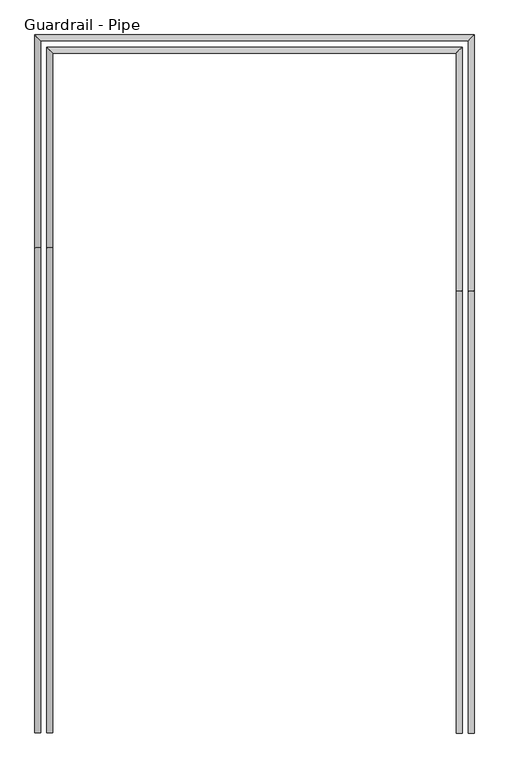
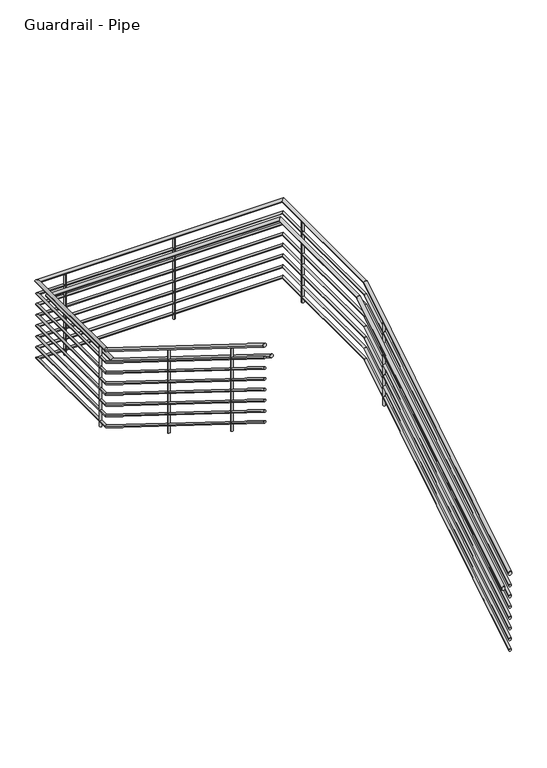
"""IFC4 building model written with IfcOpenShell, lengths in millimetres: railing geometry, Guardrail - Pipe."""

from ifc_helpers import new_model, si_unit, point, frame, frame_2d, origin, place, context, project, spatial, circle_curve, ellipse_curve, trimmed, segment, composite_curve, outline, extrude, source, transform, mapped, element, save
from ifc_brep_helpers import plane_surface, cylinder_surface, advanced_brep


def guardrail_pipe_54cb82e4(model_context):
    return source(origin(), model_context, "Body", "SolidModel", [
        advanced_brep(
        [(60708.7486844, -19849.6368097, 1218.5231361), (60746.8486844, -19849.6368097, 1218.5231361), (60708.7486844, -17050.1853821, 2963.6357143), (60746.8486844, -17050.1853821, 2963.6357143), (60708.7486844, -15471.3118097, 2963.6357143), (60746.8486844, -15433.2118097, 2963.6357143), (58003.2604639, -15471.3118097, 2963.6357143), (57965.1604639, -15433.2118097, 2963.6357143), (58003.2604639, -16781.6882372, 2963.6357143), (57965.1604639, -16781.6882372, 2963.6357143), (58003.2604639, -19849.6368097, 4876.1231361), (57965.1604639, -19849.6368097, 4876.1231361)],
        [
            (0, 1, ellipse_curve(frame((60727.7986844, -19849.6368097, 1218.5231361), z_axis=(0.0, -1.0, 0.0), x_axis=(0.0, 0.0, -1.0)), 22.4482925, 19.05)),
            (1, 0, ellipse_curve(frame((60727.7986844, -19849.6368097, 1218.5231361), z_axis=(0.0, -1.0, 0.0), x_axis=(0.0, 0.0, -1.0)), 22.4482925, 19.05)),
            (0, 2),
            (2, 3, ellipse_curve(frame((60727.7986844, -17050.1853821, 2963.6357143), z_axis=(0.0, -0.9614096116045892, -0.27512098922894446), x_axis=(0.0, 0.27512098922894473, -0.9614096116045893)), 19.8146552, 19.05)),
            (3, 1),
            (3, 2, ellipse_curve(frame((60727.7986844, -17050.1853821, 2963.6357143), z_axis=(0.0, -0.9614096116045892, -0.27512098922894446), x_axis=(0.0, 0.27512098922894473, -0.9614096116045893)), 19.8146552, 19.05)),
            (2, 4),
            (4, 5, ellipse_curve(frame((60727.7986844, -15452.2618097, 2963.6357143), z_axis=(0.7071067811865475, -0.7071067811865475, 0.0), x_axis=(-0.7071067811865474, -0.7071067811865476, 0.0)), 26.9407684, 19.05)),
            (5, 3),
            (5, 4, ellipse_curve(frame((60727.7986844, -15452.2618097, 2963.6357143), z_axis=(0.7071067811865475, -0.7071067811865475, 0.0), x_axis=(-0.7071067811865474, -0.7071067811865476, 0.0)), 26.9407684, 19.05)),
            (4, 6),
            (6, 7, ellipse_curve(frame((57984.2104639, -15452.2618097, 2963.6357143), z_axis=(0.7071067811865475, 0.7071067811865475, 0.0), x_axis=(0.7071067811865476, -0.7071067811865474, 0.0)), 26.9407684, 19.05)),
            (7, 5),
            (7, 6, ellipse_curve(frame((57984.2104639, -15452.2618097, 2963.6357143), z_axis=(0.7071067811865475, 0.7071067811865475, 0.0), x_axis=(0.7071067811865476, -0.7071067811865474, 0.0)), 26.9407684, 19.05)),
            (6, 8),
            (8, 9, ellipse_curve(frame((57984.2104639, -16781.6882372, 2963.6357143), z_axis=(0.0, 0.961409611604589, -0.2751209892289446), x_axis=(0.0, 0.2751209892289451, 0.9614096116045889)), 19.8146552, 19.05)),
            (9, 7),
            (9, 8, ellipse_curve(frame((57984.2104639, -16781.6882372, 2963.6357143), z_axis=(0.0, 0.961409611604589, -0.2751209892289446), x_axis=(0.0, 0.2751209892289451, 0.9614096116045889)), 19.8146552, 19.05)),
            (10, 11, ellipse_curve(frame((57984.2104639, -19849.6368097, 4876.1231361), z_axis=(0.0, -1.0, 0.0), x_axis=(0.0, 0.0, -1.0)), 22.4482925, 19.05)),
            (11, 10, ellipse_curve(frame((57984.2104639, -19849.6368097, 4876.1231361), z_axis=(0.0, -1.0, 0.0), x_axis=(0.0, 0.0, -1.0)), 22.4482925, 19.05)),
            (8, 10),
            (11, 9),
        ],
        [
            plane_surface(frame((60727.7986844, -19849.6368097, 1240.9714286), z_axis=(0.0, -1.0, 0.0), x_axis=(0.0, 0.0, 1.0))),
            cylinder_surface(frame((60727.7986844, -19839.5592087, 1224.805277), z_axis=(0.0, -0.8486168825713741, -0.5290079267977396), x_axis=(1.0, 0.0, 0.0)), 19.05),
            cylinder_surface(frame((60727.7986844, -17055.6368097, 2963.6357143), z_axis=(0.0, -1.0, 0.0), x_axis=(1.0, 0.0, 0.0)), 19.05),
            cylinder_surface(frame((60727.7986844, -15452.2618097, 2963.6357143), z_axis=(1.0, 0.0, 0.0), x_axis=(0.0, 1.0, 0.0)), 19.05),
            cylinder_surface(frame((57984.2104639, -15452.2618097, 2963.6357143), z_axis=(0.0, 1.0, 0.0), x_axis=(-1.0, 0.0, 0.0)), 19.05),
            plane_surface(frame((57984.2104639, -19849.6368097, 4898.5714286), z_axis=(0.0, -1.0, 0.0), x_axis=(0.0, 0.0, -1.0))),
            cylinder_surface(frame((57984.2104639, -16786.3144107, 2966.5195627), z_axis=(0.0, 0.8486168825713739, -0.52900792679774), x_axis=(-1.0, 0.0, 0.0)), 19.05),
        ],
        [
            (0, [[1, 2]]),
            (1, [[-1, 3, 4, 5]]),
            (1, [[-2, -5, 6, -3]]),
            (2, [[-4, 7, 8, 9]]),
            (2, [[-6, -9, 10, -7]]),
            (3, [[-8, 11, 12, 13]]),
            (3, [[-10, -13, 14, -11]]),
            (4, [[-12, 15, 16, 17]]),
            (4, [[-14, -17, 18, -15]]),
            (5, [[19, 20]]),
            (6, [[-16, 21, -20, 22]]),
            (6, [[-18, -22, -19, -21]]),
        ],
    ),
        advanced_brep(
        [(60715.0986844, -19849.6368097, 1073.6059002), (60740.4986844, -19849.6368097, 1073.6059002), (60715.0986844, -17052.0025247, 2817.5857143), (60740.4986844, -17052.0025247, 2817.5857143), (60715.0986844, -15464.9618097, 2817.5857143), (60740.4986844, -15439.5618097, 2817.5857143), (57996.9104639, -15464.9618097, 2817.5857143), (57971.5104639, -15439.5618097, 2817.5857143), (57996.9104639, -16779.8710947, 2817.5857143), (57971.5104639, -16779.8710947, 2817.5857143), (57996.9104639, -19849.6368097, 4731.2059002), (57971.5104639, -19849.6368097, 4731.2059002)],
        [
            (0, 1, ellipse_curve(frame((60727.7986844, -19849.6368097, 1073.6059002), z_axis=(0.0, -1.0, 0.0), x_axis=(0.0, 0.0, -1.0)), 14.9655283, 12.7)),
            (1, 0, ellipse_curve(frame((60727.7986844, -19849.6368097, 1073.6059002), z_axis=(0.0, -1.0, 0.0), x_axis=(0.0, 0.0, -1.0)), 14.9655283, 12.7)),
            (0, 2),
            (2, 3, ellipse_curve(frame((60727.7986844, -17052.0025247, 2817.5857143), z_axis=(0.0, -0.9614096116045892, -0.27512098922894446), x_axis=(0.0, 0.27512098922894473, -0.9614096116045893)), 13.2097702, 12.7)),
            (3, 1),
            (3, 2, ellipse_curve(frame((60727.7986844, -17052.0025247, 2817.5857143), z_axis=(0.0, -0.9614096116045892, -0.27512098922894446), x_axis=(0.0, 0.27512098922894473, -0.9614096116045893)), 13.2097702, 12.7)),
            (2, 4),
            (4, 5, ellipse_curve(frame((60727.7986844, -15452.2618097, 2817.5857143), z_axis=(0.7071067811865475, -0.7071067811865475, 0.0), x_axis=(-0.7071067811865474, -0.7071067811865476, 0.0)), 17.9605122, 12.7)),
            (5, 3),
            (5, 4, ellipse_curve(frame((60727.7986844, -15452.2618097, 2817.5857143), z_axis=(0.7071067811865475, -0.7071067811865475, 0.0), x_axis=(-0.7071067811865474, -0.7071067811865476, 0.0)), 17.9605122, 12.7)),
            (4, 6),
            (6, 7, ellipse_curve(frame((57984.2104639, -15452.2618097, 2817.5857143), z_axis=(0.7071067811865475, 0.7071067811865475, 0.0), x_axis=(0.7071067811865476, -0.7071067811865474, 0.0)), 17.9605122, 12.7)),
            (7, 5),
            (7, 6, ellipse_curve(frame((57984.2104639, -15452.2618097, 2817.5857143), z_axis=(0.7071067811865475, 0.7071067811865475, 0.0), x_axis=(0.7071067811865476, -0.7071067811865474, 0.0)), 17.9605122, 12.7)),
            (6, 8),
            (8, 9, ellipse_curve(frame((57984.2104639, -16779.8710947, 2817.5857143), z_axis=(0.0, 0.9614096116045892, -0.27512098922894457), x_axis=(0.0, 0.27512098922894446, 0.9614096116045892)), 13.2097702, 12.7)),
            (9, 7),
            (9, 8, ellipse_curve(frame((57984.2104639, -16779.8710947, 2817.5857143), z_axis=(0.0, 0.9614096116045892, -0.27512098922894457), x_axis=(0.0, 0.27512098922894446, 0.9614096116045892)), 13.2097702, 12.7)),
            (10, 11, ellipse_curve(frame((57984.2104639, -19849.6368097, 4731.2059002), z_axis=(0.0, -1.0, 0.0), x_axis=(0.0, 0.0, -1.0)), 14.9655283, 12.7)),
            (11, 10, ellipse_curve(frame((57984.2104639, -19849.6368097, 4731.2059002), z_axis=(0.0, -1.0, 0.0), x_axis=(0.0, 0.0, -1.0)), 14.9655283, 12.7)),
            (8, 10),
            (11, 9),
        ],
        [
            plane_surface(frame((60727.7986844, -19849.6368097, 1088.5714286), z_axis=(0.0, -1.0, 0.0), x_axis=(0.0, 0.0, 1.0))),
            cylinder_surface(frame((60727.7986844, -19842.918409, 1077.7939942), z_axis=(0.0, -0.8486168825713741, -0.5290079267977396), x_axis=(1.0, 0.0, 0.0)), 12.7),
            cylinder_surface(frame((60727.7986844, -17055.6368097, 2817.5857143), z_axis=(0.0, -1.0, 0.0), x_axis=(1.0, 0.0, 0.0)), 12.7),
            cylinder_surface(frame((60727.7986844, -15452.2618097, 2817.5857143), z_axis=(1.0, 0.0, 0.0), x_axis=(0.0, 1.0, 0.0)), 12.7),
            cylinder_surface(frame((57984.2104639, -15452.2618097, 2817.5857143), z_axis=(0.0, 1.0, 0.0), x_axis=(-1.0, 0.0, 0.0)), 12.7),
            plane_surface(frame((57984.2104639, -19849.6368097, 4746.1714286), z_axis=(0.0, -1.0, 0.0), x_axis=(0.0, 0.0, -1.0))),
            cylinder_surface(frame((57984.2104639, -16782.9552104, 2819.5082799), z_axis=(0.0, 0.8486168825713739, -0.5290079267977399), x_axis=(-1.0, 0.0, 0.0)), 12.7),
        ],
        [
            (0, [[1, 2]]),
            (1, [[-1, 3, 4, 5]]),
            (1, [[-2, -5, 6, -3]]),
            (2, [[-4, 7, 8, 9]]),
            (2, [[-6, -9, 10, -7]]),
            (3, [[-8, 11, 12, 13]]),
            (3, [[-10, -13, 14, -11]]),
            (4, [[-12, 15, 16, 17]]),
            (4, [[-14, -17, 18, -15]]),
            (5, [[19, 20]]),
            (6, [[-16, 21, -20, 22]]),
            (6, [[-18, -22, -19, -21]]),
        ],
    ),
        advanced_brep(
        [(60632.5486844, -19849.6368097, 1066.1231361), (60670.6486844, -19849.6368097, 1066.1231361), (60632.5486844, -17050.1853821, 2811.2357143), (60670.6486844, -17050.1853821, 2811.2357143), (60632.5486844, -15547.5118097, 2811.2357143), (60670.6486844, -15509.4118097, 2811.2357143), (58079.4604639, -15547.5118097, 2811.2357143), (58041.3604639, -15509.4118097, 2811.2357143), (58079.4604639, -16781.6882372, 2811.2357143), (58041.3604639, -16781.6882372, 2811.2357143), (58079.4604639, -19849.6368097, 4723.7231361), (58041.3604639, -19849.6368097, 4723.7231361)],
        [
            (0, 1, ellipse_curve(frame((60651.5986844, -19849.6368097, 1066.1231361), z_axis=(0.0, -1.0, 0.0), x_axis=(0.0, 0.0, -1.0)), 22.4482925, 19.05)),
            (1, 0, ellipse_curve(frame((60651.5986844, -19849.6368097, 1066.1231361), z_axis=(0.0, -1.0, 0.0), x_axis=(0.0, 0.0, -1.0)), 22.4482925, 19.05)),
            (0, 2),
            (2, 3, ellipse_curve(frame((60651.5986844, -17050.1853821, 2811.2357143), z_axis=(0.0, -0.9614096116045892, -0.27512098922894446), x_axis=(0.0, 0.27512098922894473, -0.9614096116045893)), 19.8146552, 19.05)),
            (3, 1),
            (3, 2, ellipse_curve(frame((60651.5986844, -17050.1853821, 2811.2357143), z_axis=(0.0, -0.9614096116045892, -0.27512098922894446), x_axis=(0.0, 0.27512098922894473, -0.9614096116045893)), 19.8146552, 19.05)),
            (2, 4),
            (4, 5, ellipse_curve(frame((60651.5986844, -15528.4618097, 2811.2357143), z_axis=(0.7071067811865475, -0.7071067811865475, 0.0), x_axis=(-0.7071067811865474, -0.7071067811865476, 0.0)), 26.9407684, 19.05)),
            (5, 3),
            (5, 4, ellipse_curve(frame((60651.5986844, -15528.4618097, 2811.2357143), z_axis=(0.7071067811865475, -0.7071067811865475, 0.0), x_axis=(-0.7071067811865474, -0.7071067811865476, 0.0)), 26.9407684, 19.05)),
            (4, 6),
            (6, 7, ellipse_curve(frame((58060.4104639, -15528.4618097, 2811.2357143), z_axis=(0.7071067811865475, 0.7071067811865475, 0.0), x_axis=(0.7071067811865476, -0.7071067811865474, 0.0)), 26.9407684, 19.05)),
            (7, 5),
            (7, 6, ellipse_curve(frame((58060.4104639, -15528.4618097, 2811.2357143), z_axis=(0.7071067811865475, 0.7071067811865475, 0.0), x_axis=(0.7071067811865476, -0.7071067811865474, 0.0)), 26.9407684, 19.05)),
            (6, 8),
            (8, 9, ellipse_curve(frame((58060.4104639, -16781.6882372, 2811.2357143), z_axis=(0.0, 0.9614096116045892, -0.27512098922894457), x_axis=(0.0, 0.27512098922894446, 0.9614096116045892)), 19.8146552, 19.05)),
            (9, 7),
            (9, 8, ellipse_curve(frame((58060.4104639, -16781.6882372, 2811.2357143), z_axis=(0.0, 0.9614096116045892, -0.27512098922894457), x_axis=(0.0, 0.27512098922894446, 0.9614096116045892)), 19.8146552, 19.05)),
            (10, 11, ellipse_curve(frame((58060.4104639, -19849.6368097, 4723.7231361), z_axis=(0.0, -1.0, 0.0), x_axis=(0.0, 0.0, -1.0)), 22.4482925, 19.05)),
            (11, 10, ellipse_curve(frame((58060.4104639, -19849.6368097, 4723.7231361), z_axis=(0.0, -1.0, 0.0), x_axis=(0.0, 0.0, -1.0)), 22.4482925, 19.05)),
            (8, 10),
            (11, 9),
        ],
        [
            plane_surface(frame((60651.5986844, -19849.6368097, 1088.5714286), z_axis=(0.0, -1.0, 0.0), x_axis=(0.0, 0.0, 1.0))),
            cylinder_surface(frame((60651.5986844, -19839.5592087, 1072.405277), z_axis=(0.0, -0.8486168825713741, -0.5290079267977396), x_axis=(1.0, 0.0, 0.0)), 19.05),
            cylinder_surface(frame((60651.5986844, -17055.6368097, 2811.2357143), z_axis=(0.0, -1.0, 0.0), x_axis=(1.0, 0.0, 0.0)), 19.05),
            cylinder_surface(frame((60651.5986844, -15528.4618097, 2811.2357143), z_axis=(1.0, 0.0, 0.0), x_axis=(0.0, 1.0, 0.0)), 19.05),
            cylinder_surface(frame((58060.4104639, -15528.4618097, 2811.2357143), z_axis=(0.0, 1.0, 0.0), x_axis=(-1.0, 0.0, 0.0)), 19.05),
            plane_surface(frame((58060.4104639, -19849.6368097, 4746.1714286), z_axis=(0.0, -1.0, 0.0), x_axis=(0.0, 0.0, -1.0))),
            cylinder_surface(frame((58060.4104639, -16786.3144107, 2814.1195627), z_axis=(0.0, 0.8486168825713739, -0.5290079267977399), x_axis=(-1.0, 0.0, 0.0)), 19.05),
        ],
        [
            (0, [[1, 2]]),
            (1, [[-1, 3, 4, 5]]),
            (1, [[-2, -5, 6, -3]]),
            (2, [[-4, 7, 8, 9]]),
            (2, [[-6, -9, 10, -7]]),
            (3, [[-8, 11, 12, 13]]),
            (3, [[-10, -13, 14, -11]]),
            (4, [[-12, 15, 16, 17]]),
            (4, [[-14, -17, 18, -15]]),
            (5, [[19, 20]]),
            (6, [[-16, 21, -20, 22]]),
            (6, [[-18, -22, -19, -21]]),
        ],
    ),
        advanced_brep(
        [(60715.0986844, -19849.6368097, 946.6059002), (60740.4986844, -19849.6368097, 946.6059002), (60715.0986844, -17052.0025247, 2690.5857143), (60740.4986844, -17052.0025247, 2690.5857143), (60715.0986844, -15464.9618097, 2690.5857143), (60740.4986844, -15439.5618097, 2690.5857143), (57996.9104639, -15464.9618097, 2690.5857143), (57971.5104639, -15439.5618097, 2690.5857143), (57996.9104639, -16779.8710947, 2690.5857143), (57971.5104639, -16779.8710947, 2690.5857143), (57996.9104639, -19849.6368097, 4604.2059002), (57971.5104639, -19849.6368097, 4604.2059002)],
        [
            (0, 1, ellipse_curve(frame((60727.7986844, -19849.6368097, 946.6059002), z_axis=(0.0, -1.0, 0.0), x_axis=(0.0, 0.0, -1.0)), 14.9655283, 12.7)),
            (1, 0, ellipse_curve(frame((60727.7986844, -19849.6368097, 946.6059002), z_axis=(0.0, -1.0, 0.0), x_axis=(0.0, 0.0, -1.0)), 14.9655283, 12.7)),
            (0, 2),
            (2, 3, ellipse_curve(frame((60727.7986844, -17052.0025247, 2690.5857143), z_axis=(0.0, -0.9614096116045892, -0.27512098922894446), x_axis=(0.0, 0.27512098922894457, -0.9614096116045892)), 13.2097702, 12.7)),
            (3, 1),
            (3, 2, ellipse_curve(frame((60727.7986844, -17052.0025247, 2690.5857143), z_axis=(0.0, -0.9614096116045892, -0.27512098922894446), x_axis=(0.0, 0.27512098922894457, -0.9614096116045892)), 13.2097702, 12.7)),
            (2, 4),
            (4, 5, ellipse_curve(frame((60727.7986844, -15452.2618097, 2690.5857143), z_axis=(0.7071067811865475, -0.7071067811865475, 0.0), x_axis=(-0.7071067811865474, -0.7071067811865476, 0.0)), 17.9605122, 12.7)),
            (5, 3),
            (5, 4, ellipse_curve(frame((60727.7986844, -15452.2618097, 2690.5857143), z_axis=(0.7071067811865475, -0.7071067811865475, 0.0), x_axis=(-0.7071067811865474, -0.7071067811865476, 0.0)), 17.9605122, 12.7)),
            (4, 6),
            (6, 7, ellipse_curve(frame((57984.2104639, -15452.2618097, 2690.5857143), z_axis=(0.7071067811865475, 0.7071067811865475, 0.0), x_axis=(0.7071067811865476, -0.7071067811865474, 0.0)), 17.9605122, 12.7)),
            (7, 5),
            (7, 6, ellipse_curve(frame((57984.2104639, -15452.2618097, 2690.5857143), z_axis=(0.7071067811865475, 0.7071067811865475, 0.0), x_axis=(0.7071067811865476, -0.7071067811865474, 0.0)), 17.9605122, 12.7)),
            (6, 8),
            (8, 9, ellipse_curve(frame((57984.2104639, -16779.8710947, 2690.5857143), z_axis=(0.0, 0.9614096116045892, -0.27512098922894457), x_axis=(0.0, 0.27512098922894446, 0.9614096116045892)), 13.2097702, 12.7)),
            (9, 7),
            (9, 8, ellipse_curve(frame((57984.2104639, -16779.8710947, 2690.5857143), z_axis=(0.0, 0.9614096116045892, -0.27512098922894457), x_axis=(0.0, 0.27512098922894446, 0.9614096116045892)), 13.2097702, 12.7)),
            (10, 11, ellipse_curve(frame((57984.2104639, -19849.6368097, 4604.2059002), z_axis=(0.0, -1.0, 0.0), x_axis=(0.0, 0.0, -1.0)), 14.9655283, 12.7)),
            (11, 10, ellipse_curve(frame((57984.2104639, -19849.6368097, 4604.2059002), z_axis=(0.0, -1.0, 0.0), x_axis=(0.0, 0.0, -1.0)), 14.9655283, 12.7)),
            (8, 10),
            (11, 9),
        ],
        [
            plane_surface(frame((60727.7986844, -19849.6368097, 961.5714286), z_axis=(0.0, -1.0, 0.0), x_axis=(0.0, 0.0, 1.0))),
            cylinder_surface(frame((60727.7986844, -19842.918409, 950.7939942), z_axis=(0.0, -0.8486168825713741, -0.5290079267977397), x_axis=(1.0, 0.0, 0.0)), 12.7),
            cylinder_surface(frame((60727.7986844, -17055.6368097, 2690.5857143), z_axis=(0.0, -1.0, 0.0), x_axis=(1.0, 0.0, 0.0)), 12.7),
            cylinder_surface(frame((60727.7986844, -15452.2618097, 2690.5857143), z_axis=(1.0, 0.0, 0.0), x_axis=(0.0, 1.0, 0.0)), 12.7),
            cylinder_surface(frame((57984.2104639, -15452.2618097, 2690.5857143), z_axis=(0.0, 1.0, 0.0), x_axis=(-1.0, 0.0, 0.0)), 12.7),
            plane_surface(frame((57984.2104639, -19849.6368097, 4619.1714286), z_axis=(0.0, -1.0, 0.0), x_axis=(0.0, 0.0, -1.0))),
            cylinder_surface(frame((57984.2104639, -16782.9552104, 2692.5082799), z_axis=(0.0, 0.8486168825713739, -0.5290079267977399), x_axis=(-1.0, 0.0, 0.0)), 12.7),
        ],
        [
            (0, [[1, 2]]),
            (1, [[-1, 3, 4, 5]]),
            (1, [[-2, -5, 6, -3]]),
            (2, [[-4, 7, 8, 9]]),
            (2, [[-6, -9, 10, -7]]),
            (3, [[-8, 11, 12, 13]]),
            (3, [[-10, -13, 14, -11]]),
            (4, [[-12, 15, 16, 17]]),
            (4, [[-14, -17, 18, -15]]),
            (5, [[19, 20]]),
            (6, [[-16, 21, -20, 22]]),
            (6, [[-18, -22, -19, -21]]),
        ],
    ),
        advanced_brep(
        [(60715.0986844, -19849.6368097, 819.6059002), (60740.4986844, -19849.6368097, 819.6059002), (60715.0986844, -17052.0025247, 2563.5857143), (60740.4986844, -17052.0025247, 2563.5857143), (60715.0986844, -15464.9618097, 2563.5857143), (60740.4986844, -15439.5618097, 2563.5857143), (57996.9104639, -15464.9618097, 2563.5857143), (57971.5104639, -15439.5618097, 2563.5857143), (57996.9104639, -16779.8710947, 2563.5857143), (57971.5104639, -16779.8710947, 2563.5857143), (57996.9104639, -19849.6368097, 4477.2059002), (57971.5104639, -19849.6368097, 4477.2059002)],
        [
            (0, 1, ellipse_curve(frame((60727.7986844, -19849.6368097, 819.6059002), z_axis=(0.0, -1.0, 0.0), x_axis=(0.0, 0.0, -1.0)), 14.9655283, 12.7)),
            (1, 0, ellipse_curve(frame((60727.7986844, -19849.6368097, 819.6059002), z_axis=(0.0, -1.0, 0.0), x_axis=(0.0, 0.0, -1.0)), 14.9655283, 12.7)),
            (0, 2),
            (2, 3, ellipse_curve(frame((60727.7986844, -17052.0025247, 2563.5857143), z_axis=(0.0, -0.9614096116045892, -0.27512098922894446), x_axis=(0.0, 0.27512098922894457, -0.9614096116045892)), 13.2097702, 12.7)),
            (3, 1),
            (3, 2, ellipse_curve(frame((60727.7986844, -17052.0025247, 2563.5857143), z_axis=(0.0, -0.9614096116045892, -0.27512098922894446), x_axis=(0.0, 0.27512098922894457, -0.9614096116045892)), 13.2097702, 12.7)),
            (2, 4),
            (4, 5, ellipse_curve(frame((60727.7986844, -15452.2618097, 2563.5857143), z_axis=(0.7071067811865475, -0.7071067811865475, 0.0), x_axis=(-0.7071067811865474, -0.7071067811865476, 0.0)), 17.9605122, 12.7)),
            (5, 3),
            (5, 4, ellipse_curve(frame((60727.7986844, -15452.2618097, 2563.5857143), z_axis=(0.7071067811865475, -0.7071067811865475, 0.0), x_axis=(-0.7071067811865474, -0.7071067811865476, 0.0)), 17.9605122, 12.7)),
            (4, 6),
            (6, 7, ellipse_curve(frame((57984.2104639, -15452.2618097, 2563.5857143), z_axis=(0.7071067811865475, 0.7071067811865475, 0.0), x_axis=(0.7071067811865476, -0.7071067811865474, 0.0)), 17.9605122, 12.7)),
            (7, 5),
            (7, 6, ellipse_curve(frame((57984.2104639, -15452.2618097, 2563.5857143), z_axis=(0.7071067811865475, 0.7071067811865475, 0.0), x_axis=(0.7071067811865476, -0.7071067811865474, 0.0)), 17.9605122, 12.7)),
            (6, 8),
            (8, 9, ellipse_curve(frame((57984.2104639, -16779.8710947, 2563.5857143), z_axis=(0.0, 0.9614096116045892, -0.2751209892289445), x_axis=(0.0, 0.2751209892289445, 0.961409611604589)), 13.2097702, 12.7)),
            (9, 7),
            (9, 8, ellipse_curve(frame((57984.2104639, -16779.8710947, 2563.5857143), z_axis=(0.0, 0.9614096116045892, -0.2751209892289445), x_axis=(0.0, 0.2751209892289445, 0.961409611604589)), 13.2097702, 12.7)),
            (10, 11, ellipse_curve(frame((57984.2104639, -19849.6368097, 4477.2059002), z_axis=(0.0, -1.0, 0.0), x_axis=(0.0, 0.0, -1.0)), 14.9655283, 12.7)),
            (11, 10, ellipse_curve(frame((57984.2104639, -19849.6368097, 4477.2059002), z_axis=(0.0, -1.0, 0.0), x_axis=(0.0, 0.0, -1.0)), 14.9655283, 12.7)),
            (8, 10),
            (11, 9),
        ],
        [
            plane_surface(frame((60727.7986844, -19849.6368097, 834.5714286), z_axis=(0.0, -1.0, 0.0), x_axis=(0.0, 0.0, 1.0))),
            cylinder_surface(frame((60727.7986844, -19842.918409, 823.7939942), z_axis=(0.0, -0.8486168825713741, -0.5290079267977397), x_axis=(1.0, 0.0, 0.0)), 12.7),
            cylinder_surface(frame((60727.7986844, -17055.6368097, 2563.5857143), z_axis=(0.0, -1.0, 0.0), x_axis=(1.0, 0.0, 0.0)), 12.7),
            cylinder_surface(frame((60727.7986844, -15452.2618097, 2563.5857143), z_axis=(1.0, 0.0, 0.0), x_axis=(0.0, 1.0, 0.0)), 12.7),
            cylinder_surface(frame((57984.2104639, -15452.2618097, 2563.5857143), z_axis=(0.0, 1.0, 0.0), x_axis=(-1.0, 0.0, 0.0)), 12.7),
            plane_surface(frame((57984.2104639, -19849.6368097, 4492.1714286), z_axis=(0.0, -1.0, 0.0), x_axis=(0.0, 0.0, -1.0))),
            cylinder_surface(frame((57984.2104639, -16782.9552104, 2565.5082799), z_axis=(0.0, 0.848616882571374, -0.5290079267977398), x_axis=(-1.0, 0.0, 0.0)), 12.7),
        ],
        [
            (0, [[1, 2]]),
            (1, [[-1, 3, 4, 5]]),
            (1, [[-2, -5, 6, -3]]),
            (2, [[-4, 7, 8, 9]]),
            (2, [[-6, -9, 10, -7]]),
            (3, [[-8, 11, 12, 13]]),
            (3, [[-10, -13, 14, -11]]),
            (4, [[-12, 15, 16, 17]]),
            (4, [[-14, -17, 18, -15]]),
            (5, [[19, 20]]),
            (6, [[-16, 21, -20, 22]]),
            (6, [[-18, -22, -19, -21]]),
        ],
    ),
        advanced_brep(
        [(60715.0986844, -19849.6368097, 692.6059002), (60740.4986844, -19849.6368097, 692.6059002), (60715.0986844, -17052.0025247, 2436.5857143), (60740.4986844, -17052.0025247, 2436.5857143), (60715.0986844, -15464.9618097, 2436.5857143), (60740.4986844, -15439.5618097, 2436.5857143), (57996.9104639, -15464.9618097, 2436.5857143), (57971.5104639, -15439.5618097, 2436.5857143), (57996.9104639, -16779.8710947, 2436.5857143), (57971.5104639, -16779.8710947, 2436.5857143), (57996.9104639, -19849.6368097, 4350.2059002), (57971.5104639, -19849.6368097, 4350.2059002)],
        [
            (0, 1, ellipse_curve(frame((60727.7986844, -19849.6368097, 692.6059002), z_axis=(0.0, -1.0, 0.0), x_axis=(0.0, 0.0, -1.0)), 14.9655283, 12.7)),
            (1, 0, ellipse_curve(frame((60727.7986844, -19849.6368097, 692.6059002), z_axis=(0.0, -1.0, 0.0), x_axis=(0.0, 0.0, -1.0)), 14.9655283, 12.7)),
            (0, 2),
            (2, 3, ellipse_curve(frame((60727.7986844, -17052.0025247, 2436.5857143), z_axis=(0.0, -0.9614096116045892, -0.27512098922894446), x_axis=(0.0, 0.27512098922894473, -0.9614096116045893)), 13.2097702, 12.7)),
            (3, 1),
            (3, 2, ellipse_curve(frame((60727.7986844, -17052.0025247, 2436.5857143), z_axis=(0.0, -0.9614096116045892, -0.27512098922894446), x_axis=(0.0, 0.27512098922894473, -0.9614096116045893)), 13.2097702, 12.7)),
            (2, 4),
            (4, 5, ellipse_curve(frame((60727.7986844, -15452.2618097, 2436.5857143), z_axis=(0.7071067811865475, -0.7071067811865475, 0.0), x_axis=(-0.7071067811865474, -0.7071067811865476, 0.0)), 17.9605122, 12.7)),
            (5, 3),
            (5, 4, ellipse_curve(frame((60727.7986844, -15452.2618097, 2436.5857143), z_axis=(0.7071067811865475, -0.7071067811865475, 0.0), x_axis=(-0.7071067811865474, -0.7071067811865476, 0.0)), 17.9605122, 12.7)),
            (4, 6),
            (6, 7, ellipse_curve(frame((57984.2104639, -15452.2618097, 2436.5857143), z_axis=(0.7071067811865475, 0.7071067811865475, 0.0), x_axis=(0.7071067811865476, -0.7071067811865474, 0.0)), 17.9605122, 12.7)),
            (7, 5),
            (7, 6, ellipse_curve(frame((57984.2104639, -15452.2618097, 2436.5857143), z_axis=(0.7071067811865475, 0.7071067811865475, 0.0), x_axis=(0.7071067811865476, -0.7071067811865474, 0.0)), 17.9605122, 12.7)),
            (6, 8),
            (8, 9, ellipse_curve(frame((57984.2104639, -16779.8710947, 2436.5857143), z_axis=(0.0, 0.9614096116045892, -0.27512098922894457), x_axis=(0.0, 0.27512098922894446, 0.9614096116045892)), 13.2097702, 12.7)),
            (9, 7),
            (9, 8, ellipse_curve(frame((57984.2104639, -16779.8710947, 2436.5857143), z_axis=(0.0, 0.9614096116045892, -0.27512098922894457), x_axis=(0.0, 0.27512098922894446, 0.9614096116045892)), 13.2097702, 12.7)),
            (10, 11, ellipse_curve(frame((57984.2104639, -19849.6368097, 4350.2059002), z_axis=(0.0, -1.0, 0.0), x_axis=(0.0, 0.0, -1.0)), 14.9655283, 12.7)),
            (11, 10, ellipse_curve(frame((57984.2104639, -19849.6368097, 4350.2059002), z_axis=(0.0, -1.0, 0.0), x_axis=(0.0, 0.0, -1.0)), 14.9655283, 12.7)),
            (8, 10),
            (11, 9),
        ],
        [
            plane_surface(frame((60727.7986844, -19849.6368097, 707.5714286), z_axis=(0.0, -1.0, 0.0), x_axis=(0.0, 0.0, 1.0))),
            cylinder_surface(frame((60727.7986844, -19842.918409, 696.7939942), z_axis=(0.0, -0.8486168825713741, -0.5290079267977396), x_axis=(1.0, 0.0, 0.0)), 12.7),
            cylinder_surface(frame((60727.7986844, -17055.6368097, 2436.5857143), z_axis=(0.0, -1.0, 0.0), x_axis=(1.0, 0.0, 0.0)), 12.7),
            cylinder_surface(frame((60727.7986844, -15452.2618097, 2436.5857143), z_axis=(1.0, 0.0, 0.0), x_axis=(0.0, 1.0, 0.0)), 12.7),
            cylinder_surface(frame((57984.2104639, -15452.2618097, 2436.5857143), z_axis=(0.0, 1.0, 0.0), x_axis=(-1.0, 0.0, 0.0)), 12.7),
            plane_surface(frame((57984.2104639, -19849.6368097, 4365.1714286), z_axis=(0.0, -1.0, 0.0), x_axis=(0.0, 0.0, -1.0))),
            cylinder_surface(frame((57984.2104639, -16782.9552104, 2438.5082799), z_axis=(0.0, 0.8486168825713739, -0.5290079267977399), x_axis=(-1.0, 0.0, 0.0)), 12.7),
        ],
        [
            (0, [[1, 2]]),
            (1, [[-1, 3, 4, 5]]),
            (1, [[-2, -5, 6, -3]]),
            (2, [[-4, 7, 8, 9]]),
            (2, [[-6, -9, 10, -7]]),
            (3, [[-8, 11, 12, 13]]),
            (3, [[-10, -13, 14, -11]]),
            (4, [[-12, 15, 16, 17]]),
            (4, [[-14, -17, 18, -15]]),
            (5, [[19, 20]]),
            (6, [[-16, 21, -20, 22]]),
            (6, [[-18, -22, -19, -21]]),
        ],
    ),
        advanced_brep(
        [(60715.0986844, -19849.6368097, 565.6059002), (60740.4986844, -19849.6368097, 565.6059002), (60715.0986844, -17052.0025247, 2309.5857143), (60740.4986844, -17052.0025247, 2309.5857143), (60715.0986844, -15464.9618097, 2309.5857143), (60740.4986844, -15439.5618097, 2309.5857143), (57996.9104639, -15464.9618097, 2309.5857143), (57971.5104639, -15439.5618097, 2309.5857143), (57996.9104639, -16779.8710947, 2309.5857143), (57971.5104639, -16779.8710947, 2309.5857143), (57996.9104639, -19849.6368097, 4223.2059002), (57971.5104639, -19849.6368097, 4223.2059002)],
        [
            (0, 1, ellipse_curve(frame((60727.7986844, -19849.6368097, 565.6059002), z_axis=(0.0, -1.0, 0.0), x_axis=(0.0, 0.0, -1.0)), 14.9655283, 12.7)),
            (1, 0, ellipse_curve(frame((60727.7986844, -19849.6368097, 565.6059002), z_axis=(0.0, -1.0, 0.0), x_axis=(0.0, 0.0, -1.0)), 14.9655283, 12.7)),
            (0, 2),
            (2, 3, ellipse_curve(frame((60727.7986844, -17052.0025247, 2309.5857143), z_axis=(0.0, -0.9614096116045892, -0.27512098922894446), x_axis=(0.0, 0.27512098922894457, -0.9614096116045892)), 13.2097702, 12.7)),
            (3, 1),
            (3, 2, ellipse_curve(frame((60727.7986844, -17052.0025247, 2309.5857143), z_axis=(0.0, -0.9614096116045892, -0.27512098922894446), x_axis=(0.0, 0.27512098922894457, -0.9614096116045892)), 13.2097702, 12.7)),
            (2, 4),
            (4, 5, ellipse_curve(frame((60727.7986844, -15452.2618097, 2309.5857143), z_axis=(0.7071067811865475, -0.7071067811865475, 0.0), x_axis=(-0.7071067811865474, -0.7071067811865476, 0.0)), 17.9605122, 12.7)),
            (5, 3),
            (5, 4, ellipse_curve(frame((60727.7986844, -15452.2618097, 2309.5857143), z_axis=(0.7071067811865475, -0.7071067811865475, 0.0), x_axis=(-0.7071067811865474, -0.7071067811865476, 0.0)), 17.9605122, 12.7)),
            (4, 6),
            (6, 7, ellipse_curve(frame((57984.2104639, -15452.2618097, 2309.5857143), z_axis=(0.7071067811865475, 0.7071067811865475, 0.0), x_axis=(0.7071067811865476, -0.7071067811865474, 0.0)), 17.9605122, 12.7)),
            (7, 5),
            (7, 6, ellipse_curve(frame((57984.2104639, -15452.2618097, 2309.5857143), z_axis=(0.7071067811865475, 0.7071067811865475, 0.0), x_axis=(0.7071067811865476, -0.7071067811865474, 0.0)), 17.9605122, 12.7)),
            (6, 8),
            (8, 9, ellipse_curve(frame((57984.2104639, -16779.8710947, 2309.5857143), z_axis=(0.0, 0.9614096116045892, -0.27512098922894457), x_axis=(0.0, 0.27512098922894446, 0.9614096116045892)), 13.2097702, 12.7)),
            (9, 7),
            (9, 8, ellipse_curve(frame((57984.2104639, -16779.8710947, 2309.5857143), z_axis=(0.0, 0.9614096116045892, -0.27512098922894457), x_axis=(0.0, 0.27512098922894446, 0.9614096116045892)), 13.2097702, 12.7)),
            (10, 11, ellipse_curve(frame((57984.2104639, -19849.6368097, 4223.2059002), z_axis=(0.0, -1.0, 0.0), x_axis=(0.0, 0.0, -1.0)), 14.9655283, 12.7)),
            (11, 10, ellipse_curve(frame((57984.2104639, -19849.6368097, 4223.2059002), z_axis=(0.0, -1.0, 0.0), x_axis=(0.0, 0.0, -1.0)), 14.9655283, 12.7)),
            (8, 10),
            (11, 9),
        ],
        [
            plane_surface(frame((60727.7986844, -19849.6368097, 580.5714286), z_axis=(0.0, -1.0, 0.0), x_axis=(0.0, 0.0, 1.0))),
            cylinder_surface(frame((60727.7986844, -19842.918409, 569.7939942), z_axis=(0.0, -0.8486168825713741, -0.5290079267977397), x_axis=(1.0, 0.0, 0.0)), 12.7),
            cylinder_surface(frame((60727.7986844, -17055.6368097, 2309.5857143), z_axis=(0.0, -1.0, 0.0), x_axis=(1.0, 0.0, 0.0)), 12.7),
            cylinder_surface(frame((60727.7986844, -15452.2618097, 2309.5857143), z_axis=(1.0, 0.0, 0.0), x_axis=(0.0, 1.0, 0.0)), 12.7),
            cylinder_surface(frame((57984.2104639, -15452.2618097, 2309.5857143), z_axis=(0.0, 1.0, 0.0), x_axis=(-1.0, 0.0, 0.0)), 12.7),
            plane_surface(frame((57984.2104639, -19849.6368097, 4238.1714286), z_axis=(0.0, -1.0, 0.0), x_axis=(0.0, 0.0, -1.0))),
            cylinder_surface(frame((57984.2104639, -16782.9552104, 2311.5082799), z_axis=(0.0, 0.8486168825713739, -0.5290079267977399), x_axis=(-1.0, 0.0, 0.0)), 12.7),
        ],
        [
            (0, [[1, 2]]),
            (1, [[-1, 3, 4, 5]]),
            (1, [[-2, -5, 6, -3]]),
            (2, [[-4, 7, 8, 9]]),
            (2, [[-6, -9, 10, -7]]),
            (3, [[-8, 11, 12, 13]]),
            (3, [[-10, -13, 14, -11]]),
            (4, [[-12, 15, 16, 17]]),
            (4, [[-14, -17, 18, -15]]),
            (5, [[19, 20]]),
            (6, [[-16, 21, -20, 22]]),
            (6, [[-18, -22, -19, -21]]),
        ],
    ),
        advanced_brep(
        [(60715.0986844, -19849.6368097, 438.6059002), (60740.4986844, -19849.6368097, 438.6059002), (60715.0986844, -17052.0025247, 2182.5857143), (60740.4986844, -17052.0025247, 2182.5857143), (60715.0986844, -15464.9618097, 2182.5857143), (60740.4986844, -15439.5618097, 2182.5857143), (57996.9104639, -15464.9618097, 2182.5857143), (57971.5104639, -15439.5618097, 2182.5857143), (57996.9104639, -16779.8710947, 2182.5857143), (57971.5104639, -16779.8710947, 2182.5857143), (57996.9104639, -19849.6368097, 4096.2059002), (57971.5104639, -19849.6368097, 4096.2059002)],
        [
            (0, 1, ellipse_curve(frame((60727.7986844, -19849.6368097, 438.6059002), z_axis=(0.0, -1.0, 0.0), x_axis=(0.0, 0.0, -1.0)), 14.9655283, 12.7)),
            (1, 0, ellipse_curve(frame((60727.7986844, -19849.6368097, 438.6059002), z_axis=(0.0, -1.0, 0.0), x_axis=(0.0, 0.0, -1.0)), 14.9655283, 12.7)),
            (0, 2),
            (2, 3, ellipse_curve(frame((60727.7986844, -17052.0025247, 2182.5857143), z_axis=(0.0, -0.9614096116045892, -0.27512098922894446), x_axis=(0.0, 0.27512098922894457, -0.9614096116045892)), 13.2097702, 12.7)),
            (3, 1),
            (3, 2, ellipse_curve(frame((60727.7986844, -17052.0025247, 2182.5857143), z_axis=(0.0, -0.9614096116045892, -0.27512098922894446), x_axis=(0.0, 0.27512098922894457, -0.9614096116045892)), 13.2097702, 12.7)),
            (2, 4),
            (4, 5, ellipse_curve(frame((60727.7986844, -15452.2618097, 2182.5857143), z_axis=(0.7071067811865475, -0.7071067811865475, 0.0), x_axis=(-0.7071067811865474, -0.7071067811865476, 0.0)), 17.9605122, 12.7)),
            (5, 3),
            (5, 4, ellipse_curve(frame((60727.7986844, -15452.2618097, 2182.5857143), z_axis=(0.7071067811865475, -0.7071067811865475, 0.0), x_axis=(-0.7071067811865474, -0.7071067811865476, 0.0)), 17.9605122, 12.7)),
            (4, 6),
            (6, 7, ellipse_curve(frame((57984.2104639, -15452.2618097, 2182.5857143), z_axis=(0.7071067811865475, 0.7071067811865475, 0.0), x_axis=(0.7071067811865476, -0.7071067811865474, 0.0)), 17.9605122, 12.7)),
            (7, 5),
            (7, 6, ellipse_curve(frame((57984.2104639, -15452.2618097, 2182.5857143), z_axis=(0.7071067811865475, 0.7071067811865475, 0.0), x_axis=(0.7071067811865476, -0.7071067811865474, 0.0)), 17.9605122, 12.7)),
            (6, 8),
            (8, 9, ellipse_curve(frame((57984.2104639, -16779.8710947, 2182.5857143), z_axis=(0.0, 0.9614096116045892, -0.2751209892289445), x_axis=(0.0, 0.2751209892289445, 0.961409611604589)), 13.2097702, 12.7)),
            (9, 7),
            (9, 8, ellipse_curve(frame((57984.2104639, -16779.8710947, 2182.5857143), z_axis=(0.0, 0.9614096116045892, -0.2751209892289445), x_axis=(0.0, 0.2751209892289445, 0.961409611604589)), 13.2097702, 12.7)),
            (10, 11, ellipse_curve(frame((57984.2104639, -19849.6368097, 4096.2059002), z_axis=(0.0, -1.0, 0.0), x_axis=(0.0, 0.0, -1.0)), 14.9655283, 12.7)),
            (11, 10, ellipse_curve(frame((57984.2104639, -19849.6368097, 4096.2059002), z_axis=(0.0, -1.0, 0.0), x_axis=(0.0, 0.0, -1.0)), 14.9655283, 12.7)),
            (8, 10),
            (11, 9),
        ],
        [
            plane_surface(frame((60727.7986844, -19849.6368097, 453.5714286), z_axis=(0.0, -1.0, 0.0), x_axis=(0.0, 0.0, 1.0))),
            cylinder_surface(frame((60727.7986844, -19842.918409, 442.7939942), z_axis=(0.0, -0.8486168825713741, -0.5290079267977397), x_axis=(1.0, 0.0, 0.0)), 12.7),
            cylinder_surface(frame((60727.7986844, -17055.6368097, 2182.5857143), z_axis=(0.0, -1.0, 0.0), x_axis=(1.0, 0.0, 0.0)), 12.7),
            cylinder_surface(frame((60727.7986844, -15452.2618097, 2182.5857143), z_axis=(1.0, 0.0, 0.0), x_axis=(0.0, 1.0, 0.0)), 12.7),
            cylinder_surface(frame((57984.2104639, -15452.2618097, 2182.5857143), z_axis=(0.0, 1.0, 0.0), x_axis=(-1.0, 0.0, 0.0)), 12.7),
            plane_surface(frame((57984.2104639, -19849.6368097, 4111.1714286), z_axis=(0.0, -1.0, 0.0), x_axis=(0.0, 0.0, -1.0))),
            cylinder_surface(frame((57984.2104639, -16782.9552104, 2184.5082799), z_axis=(0.0, 0.848616882571374, -0.5290079267977398), x_axis=(-1.0, 0.0, 0.0)), 12.7),
        ],
        [
            (0, [[1, 2]]),
            (1, [[-1, 3, 4, 5]]),
            (1, [[-2, -5, 6, -3]]),
            (2, [[-4, 7, 8, 9]]),
            (2, [[-6, -9, 10, -7]]),
            (3, [[-8, 11, 12, 13]]),
            (3, [[-10, -13, 14, -11]]),
            (4, [[-12, 15, 16, 17]]),
            (4, [[-14, -17, 18, -15]]),
            (5, [[19, 20]]),
            (6, [[-16, 21, -20, 22]]),
            (6, [[-18, -22, -19, -21]]),
        ],
    ),
        advanced_brep(
        [(60715.0986844, -19849.6368097, 311.6059002), (60740.4986844, -19849.6368097, 311.6059002), (60715.0986844, -17052.0025247, 2055.5857143), (60740.4986844, -17052.0025247, 2055.5857143), (60715.0986844, -15464.9618097, 2055.5857143), (60740.4986844, -15439.5618097, 2055.5857143), (57996.9104639, -15464.9618097, 2055.5857143), (57971.5104639, -15439.5618097, 2055.5857143), (57996.9104639, -16779.8710947, 2055.5857143), (57971.5104639, -16779.8710947, 2055.5857143), (57996.9104639, -19849.6368097, 3969.2059002), (57971.5104639, -19849.6368097, 3969.2059002)],
        [
            (0, 1, ellipse_curve(frame((60727.7986844, -19849.6368097, 311.6059002), z_axis=(0.0, -1.0, 0.0), x_axis=(0.0, 0.0, -1.0)), 14.9655283, 12.7)),
            (1, 0, ellipse_curve(frame((60727.7986844, -19849.6368097, 311.6059002), z_axis=(0.0, -1.0, 0.0), x_axis=(0.0, 0.0, -1.0)), 14.9655283, 12.7)),
            (0, 2),
            (2, 3, ellipse_curve(frame((60727.7986844, -17052.0025247, 2055.5857143), z_axis=(0.0, -0.9614096116045892, -0.27512098922894446), x_axis=(0.0, 0.27512098922894457, -0.9614096116045892)), 13.2097702, 12.7)),
            (3, 1),
            (3, 2, ellipse_curve(frame((60727.7986844, -17052.0025247, 2055.5857143), z_axis=(0.0, -0.9614096116045892, -0.27512098922894446), x_axis=(0.0, 0.27512098922894457, -0.9614096116045892)), 13.2097702, 12.7)),
            (2, 4),
            (4, 5, ellipse_curve(frame((60727.7986844, -15452.2618097, 2055.5857143), z_axis=(0.7071067811865475, -0.7071067811865475, 0.0), x_axis=(-0.7071067811865474, -0.7071067811865476, 0.0)), 17.9605122, 12.7)),
            (5, 3),
            (5, 4, ellipse_curve(frame((60727.7986844, -15452.2618097, 2055.5857143), z_axis=(0.7071067811865475, -0.7071067811865475, 0.0), x_axis=(-0.7071067811865474, -0.7071067811865476, 0.0)), 17.9605122, 12.7)),
            (4, 6),
            (6, 7, ellipse_curve(frame((57984.2104639, -15452.2618097, 2055.5857143), z_axis=(0.7071067811865475, 0.7071067811865475, 0.0), x_axis=(0.7071067811865476, -0.7071067811865474, 0.0)), 17.9605122, 12.7)),
            (7, 5),
            (7, 6, ellipse_curve(frame((57984.2104639, -15452.2618097, 2055.5857143), z_axis=(0.7071067811865475, 0.7071067811865475, 0.0), x_axis=(0.7071067811865476, -0.7071067811865474, 0.0)), 17.9605122, 12.7)),
            (6, 8),
            (8, 9, ellipse_curve(frame((57984.2104639, -16779.8710947, 2055.5857143), z_axis=(0.0, 0.9614096116045892, -0.27512098922894457), x_axis=(0.0, 0.27512098922894446, 0.9614096116045892)), 13.2097702, 12.7)),
            (9, 7),
            (9, 8, ellipse_curve(frame((57984.2104639, -16779.8710947, 2055.5857143), z_axis=(0.0, 0.9614096116045892, -0.27512098922894457), x_axis=(0.0, 0.27512098922894446, 0.9614096116045892)), 13.2097702, 12.7)),
            (10, 11, ellipse_curve(frame((57984.2104639, -19849.6368097, 3969.2059002), z_axis=(0.0, -1.0, 0.0), x_axis=(0.0, 0.0, -1.0)), 14.9655283, 12.7)),
            (11, 10, ellipse_curve(frame((57984.2104639, -19849.6368097, 3969.2059002), z_axis=(0.0, -1.0, 0.0), x_axis=(0.0, 0.0, -1.0)), 14.9655283, 12.7)),
            (8, 10),
            (11, 9),
        ],
        [
            plane_surface(frame((60727.7986844, -19849.6368097, 326.5714286), z_axis=(0.0, -1.0, 0.0), x_axis=(0.0, 0.0, 1.0))),
            cylinder_surface(frame((60727.7986844, -19842.918409, 315.7939942), z_axis=(0.0, -0.8486168825713741, -0.5290079267977397), x_axis=(1.0, 0.0, 0.0)), 12.7),
            cylinder_surface(frame((60727.7986844, -17055.6368097, 2055.5857143), z_axis=(0.0, -1.0, 0.0), x_axis=(1.0, 0.0, 0.0)), 12.7),
            cylinder_surface(frame((60727.7986844, -15452.2618097, 2055.5857143), z_axis=(1.0, 0.0, 0.0), x_axis=(0.0, 1.0, 0.0)), 12.7),
            cylinder_surface(frame((57984.2104639, -15452.2618097, 2055.5857143), z_axis=(0.0, 1.0, 0.0), x_axis=(-1.0, 0.0, 0.0)), 12.7),
            plane_surface(frame((57984.2104639, -19849.6368097, 3984.1714286), z_axis=(0.0, -1.0, 0.0), x_axis=(0.0, 0.0, -1.0))),
            cylinder_surface(frame((57984.2104639, -16782.9552104, 2057.5082799), z_axis=(0.0, 0.848616882571374, -0.5290079267977399), x_axis=(-1.0, 0.0, 0.0)), 12.7),
        ],
        [
            (0, [[1, 2]]),
            (1, [[-1, 3, 4, 5]]),
            (1, [[-2, -5, 6, -3]]),
            (2, [[-4, 7, 8, 9]]),
            (2, [[-6, -9, 10, -7]]),
            (3, [[-8, 11, 12, 13]]),
            (3, [[-10, -13, 14, -11]]),
            (4, [[-12, 15, 16, 17]]),
            (4, [[-14, -17, 18, -15]]),
            (5, [[19, 20]]),
            (6, [[-16, 21, -20, 22]]),
            (6, [[-18, -22, -19, -21]]),
        ],
    ),
        advanced_brep(
        [(57971.5104639, -19214.6368097, 4457.8306877), (57971.5104639, -19214.6368097, 3475.5086747), (57996.9104639, -19214.6368097, 3475.5086747), (57996.9104639, -19214.6368097, 4457.8306877)],
        [
            (0, 1),
            (1, 2, ellipse_curve(frame((57984.2104639, -19214.6368097, 3475.5086747), z_axis=(0.0, 0.5290079267977398, 0.8486168825713741), x_axis=(0.0, -0.8486168825713741, 0.5290079267977393)), 14.9655283, 12.7)),
            (2, 3),
            (3, 0, ellipse_curve(frame((57984.2104639, -19214.6368097, 4457.8306877), z_axis=(0.0, -0.5290079267977398, -0.848616882571374), x_axis=(0.0, -0.848616882571374, 0.5290079267977398)), 14.9655283, 12.7)),
            (0, 3, ellipse_curve(frame((57984.2104639, -19214.6368097, 4457.8306877), z_axis=(0.0, -0.5290079267977398, -0.848616882571374), x_axis=(0.0, -0.848616882571374, 0.5290079267977398)), 14.9655283, 12.7)),
            (2, 1, ellipse_curve(frame((57984.2104639, -19214.6368097, 3475.5086747), z_axis=(0.0, 0.5290079267977398, 0.8486168825713741), x_axis=(0.0, -0.8486168825713741, 0.5290079267977393)), 14.9655283, 12.7)),
        ],
        [
            cylinder_surface(frame((57984.2104639, -19214.6368097, 3246.9086747), z_axis=(0.0, 0.0, 1.0), x_axis=(1.0, 0.0, 0.0)), 12.7),
            plane_surface(frame((58009.6104639, -19240.0368097, 4473.664454), z_axis=(0.0, 0.5290079267977398, 0.848616882571374), x_axis=(-1.0, 0.0, 0.0))),
            plane_surface(frame((58009.6104639, -19189.2368097, 3459.6749085), z_axis=(0.0, -0.5290079267977398, -0.8486168825713741), x_axis=(-1.0, 0.0, 0.0))),
        ],
        [
            (0, [[1, 2, 3, 4]]),
            (0, [[-1, 5, -3, 6]]),
            (1, [[-4, -5]]),
            (2, [[-2, -6]]),
        ],
    ),
        advanced_brep(
        [(57971.5104639, -17995.4368097, 3697.8099085), (57971.5104639, -17995.4368097, 2715.4878955), (57996.9104639, -17995.4368097, 2715.4878955), (57996.9104639, -17995.4368097, 3697.8099085)],
        [
            (0, 1),
            (1, 2, ellipse_curve(frame((57984.2104639, -17995.4368097, 2715.4878955), z_axis=(0.0, 0.5290079267977398, 0.8486168825713741), x_axis=(0.0, -0.8486168825713741, 0.5290079267977393)), 14.9655283, 12.7)),
            (2, 3),
            (3, 0, ellipse_curve(frame((57984.2104639, -17995.4368097, 3697.8099085), z_axis=(0.0, -0.5290079267977398, -0.848616882571374), x_axis=(0.0, -0.848616882571374, 0.5290079267977398)), 14.9655283, 12.7)),
            (0, 3, ellipse_curve(frame((57984.2104639, -17995.4368097, 3697.8099085), z_axis=(0.0, -0.5290079267977398, -0.848616882571374), x_axis=(0.0, -0.848616882571374, 0.5290079267977398)), 14.9655283, 12.7)),
            (2, 1, ellipse_curve(frame((57984.2104639, -17995.4368097, 2715.4878955), z_axis=(0.0, 0.5290079267977398, 0.8486168825713741), x_axis=(0.0, -0.8486168825713741, 0.5290079267977393)), 14.9655283, 12.7)),
        ],
        [
            cylinder_surface(frame((57984.2104639, -17995.4368097, 2486.8878955), z_axis=(0.0, 0.0, 1.0), x_axis=(1.0, 0.0, 0.0)), 12.7),
            plane_surface(frame((58009.6104639, -18020.8368097, 3713.6436747), z_axis=(0.0, 0.5290079267977398, 0.848616882571374), x_axis=(-1.0, 0.0, 0.0))),
            plane_surface(frame((58009.6104639, -17970.0368097, 2699.6541292), z_axis=(0.0, -0.5290079267977398, -0.8486168825713741), x_axis=(-1.0, 0.0, 0.0))),
        ],
        [
            (0, [[1, 2, 3, 4]]),
            (0, [[-1, 5, -3, 6]]),
            (1, [[-4, -5]]),
            (2, [[-2, -6]]),
        ],
    ),
        extrude(outline(composite_curve([segment(trimmed(circle_curve(frame_2d((57984.2104639, -16671.4618097)), 12.7), [point((57996.9104639, -16671.4618097))], [point((57971.5104639, -16671.4618097))], False, "CARTESIAN"), True, "CONTINUOUS"), segment(trimmed(circle_curve(frame_2d((57984.2104639, -16671.4618097)), 12.7), [point((57971.5104639, -16671.4618097))], [point((57996.9104639, -16671.4618097))], False, "CARTESIAN"), True, "CONTINUOUS")], self_intersect=False)), frame((0.0, 0.0, 1992.0857143), z_axis=(0.0, 0.0, 1.0), x_axis=(1.0, 0.0, 0.0)), (0.0, 0.0, 1.0), 952.5),
        extrude(outline(composite_curve([segment(trimmed(circle_curve(frame_2d((58289.3986844, -15452.2618097)), 12.7), [point((58289.3986844, -15464.9618097))], [point((58289.3986844, -15439.5618097))], False, "CARTESIAN"), True, "CONTINUOUS"), segment(trimmed(circle_curve(frame_2d((58289.3986844, -15452.2618097)), 12.7), [point((58289.3986844, -15439.5618097))], [point((58289.3986844, -15464.9618097))], False, "CARTESIAN"), True, "CONTINUOUS")], self_intersect=False)), frame((0.0, 0.0, 1992.0857143), z_axis=(0.0, 0.0, 1.0), x_axis=(1.0, 0.0, 0.0)), (0.0, 0.0, 1.0), 952.5),
        extrude(outline(composite_curve([segment(trimmed(circle_curve(frame_2d((59508.5986844, -15452.2618097)), 12.7), [point((59508.5986844, -15464.9618097))], [point((59508.5986844, -15439.5618097))], False, "CARTESIAN"), True, "CONTINUOUS"), segment(trimmed(circle_curve(frame_2d((59508.5986844, -15452.2618097)), 12.7), [point((59508.5986844, -15439.5618097))], [point((59508.5986844, -15464.9618097))], False, "CARTESIAN"), True, "CONTINUOUS")], self_intersect=False)), frame((0.0, 0.0, 1992.0857143), z_axis=(0.0, 0.0, 1.0), x_axis=(1.0, 0.0, 0.0)), (0.0, 0.0, 1.0), 952.5),
        extrude(outline(composite_curve([segment(trimmed(circle_curve(frame_2d((60727.7986844, -15836.4368097)), 12.7), [point((60715.0986844, -15836.4368097))], [point((60740.4986844, -15836.4368097))], False, "CARTESIAN"), True, "CONTINUOUS"), segment(trimmed(circle_curve(frame_2d((60727.7986844, -15836.4368097)), 12.7), [point((60740.4986844, -15836.4368097))], [point((60715.0986844, -15836.4368097))], False, "CARTESIAN"), True, "CONTINUOUS")], self_intersect=False)), frame((0.0, 0.0, 1992.0857143), z_axis=(0.0, 0.0, 1.0), x_axis=(1.0, 0.0, 0.0)), (0.0, 0.0, 1.0), 952.5),
        advanced_brep(
        [(60740.4986844, -17411.2368097, 2716.116402), (60740.4986844, -17411.2368097, 1733.794389), (60715.0986844, -17411.2368097, 1733.794389), (60715.0986844, -17411.2368097, 2716.116402)],
        [
            (0, 1),
            (1, 2, ellipse_curve(frame((60727.7986844, -17411.2368097, 1733.794389), z_axis=(0.0, -0.5290079267977398, 0.8486168825713741), x_axis=(0.0, 0.8486168825713741, 0.5290079267977393)), 14.9655283, 12.7)),
            (2, 3),
            (3, 0, ellipse_curve(frame((60727.7986844, -17411.2368097, 2716.116402), z_axis=(0.0, 0.5290079267977398, -0.848616882571374), x_axis=(0.0, 0.848616882571374, 0.5290079267977398)), 14.9655283, 12.7)),
            (0, 3, ellipse_curve(frame((60727.7986844, -17411.2368097, 2716.116402), z_axis=(0.0, 0.5290079267977398, -0.848616882571374), x_axis=(0.0, 0.848616882571374, 0.5290079267977398)), 14.9655283, 12.7)),
            (2, 1, ellipse_curve(frame((60727.7986844, -17411.2368097, 1733.794389), z_axis=(0.0, -0.5290079267977398, 0.8486168825713741), x_axis=(0.0, 0.8486168825713741, 0.5290079267977393)), 14.9655283, 12.7)),
        ],
        [
            cylinder_surface(frame((60727.7986844, -17411.2368097, 1505.194389), z_axis=(0.0, 0.0, 1.0), x_axis=(-1.0, 0.0, 0.0)), 12.7),
            plane_surface(frame((60702.3986844, -17385.8368097, 2731.9501682), z_axis=(0.0, -0.5290079267977398, 0.848616882571374), x_axis=(1.0, 0.0, 0.0))),
            plane_surface(frame((60702.3986844, -17436.6368097, 1717.9606227), z_axis=(0.0, 0.5290079267977398, -0.8486168825713741), x_axis=(1.0, 0.0, 0.0))),
        ],
        [
            (0, [[1, 2, 3, 4]]),
            (0, [[-1, 5, -3, 6]]),
            (1, [[-4, -5]]),
            (2, [[-2, -6]]),
        ],
    ),
    ])


if __name__ == "__main__":
    model = new_model("IFC4")
    model_context = context("Model", 3, world=origin())
    ifc_project = project(units=[si_unit("LENGTHUNIT", "METRE", prefix="MILLI")], contexts=[model_context])
    site = spatial("IfcSite", under=ifc_project)
    building = spatial("IfcBuilding", under=site)
    placement = place(None, origin())
    guardrail_pipe_shape = guardrail_pipe_54cb82e4(model_context)
    element("IfcRailing", 1, ObjectType="Guardrail - Pipe", at=placement, inside=building, context=model_context, shape_type="MappedRepresentation", body=[
        mapped(guardrail_pipe_shape, transform((0.0, 0.0, 0.0), x_axis=(1.0, 0.0, 0.0), y_axis=(0.0, 1.0, 0.0), z_axis=(0.0, 0.0, 1.0))),
    ])
    save(model, "model.ifc")
